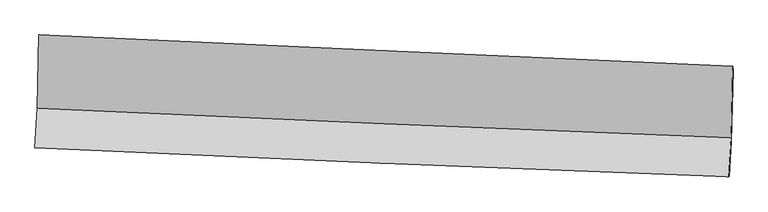
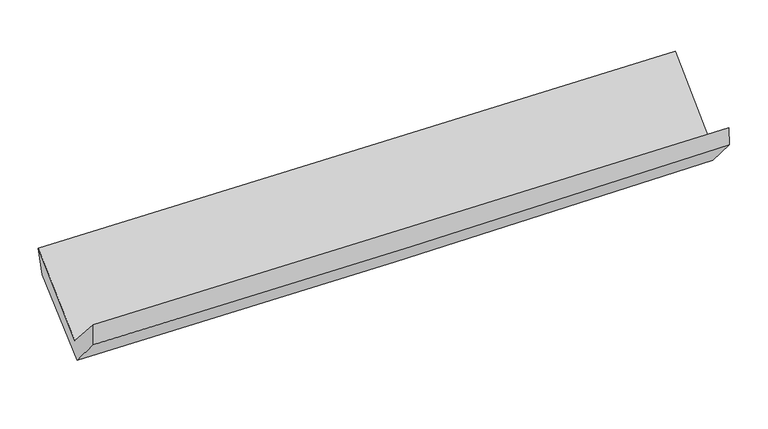
"""IFC4 building model written with IfcOpenShell, lengths in millimetres: proxy geometry."""

from ifc_helpers import new_model, si_unit, frame, origin, place, context, project, spatial, source, transform, mapped, element, save
from ifc_brep_helpers import plane_surface, spline_curve, spline_surface, advanced_brep


def generic_models_284aa55c(model_context):
    return source(origin(), model_context, "Body", "AdvancedBrep", [
        advanced_brep(
        [(-2403.0250926, -1104.1927273, 2210.2663686), (-2414.2250077, -1612.1136538, 1767.5777678), (2399.657575, -1818.4730112, 1823.6802184), (2411.4538098, -1321.2030077, 2273.5124098), (-2429.7511729, -1887.2953978, 2068.3130688), (2384.4069056, -2087.7308526, 2120.0840699), (-2426.7379698, -1884.2355197, 1902.6203886), (2386.7926155, -2086.178809, 1978.3879825), (-2412.8588374, -1642.596047, 1624.5124515), (2400.6777062, -1844.5395623, 1700.2801464), (-2401.4654376, -1150.9647485, 2021.4158143), (2413.1234125, -1352.9481833, 2097.2013516)],
        [
            (0, 1),
            (1, 2, spline_curve(3, [(-2414.2250077, -1612.1136538, 1767.5777678), (-1611.708503729, -1649.799664912, 1778.83065292), (-809.102776166, -1685.846674009, 1789.134069621), (795.524920994, -1754.630015135, 1807.833084446), (1597.546720619, -1787.369458655, 1816.230484466), (2399.657575, -1818.4730112, 1823.6802184)], [4, 2, 4], [0.0, 7.9092744226003235, 15.811038517008466])),
            (2, 3),
            (3, 0, spline_curve(3, [(2411.4538098, -1321.2030077, 2273.5124098), (1609.465753311, -1284.790687345, 2262.498682363), (807.455735372, -1248.508865333, 2251.72370523), (-797.370523662, -1176.171856799, 2230.641237485), (-1600.186806653, -1140.116918797, 2220.334200806), (-2403.0250926, -1104.1927273, 2210.2663686)], [4, 2, 4], [0.0, 7.901764094408143, 15.811038517008466])),
            (1, 4),
            (4, 5, spline_curve(3, [(-2429.7511729, -1887.2953978, 2068.3130688), (-1627.289676985, -1925.96979399, 2080.288736412), (-824.688460264, -1962.016632982, 2090.592075683), (780.031164626, -2028.823463814, 2107.845901457), (1582.149307177, -2059.588442743, 2114.799562806), (2384.4069056, -2087.7308526, 2120.0840699)], [4, 2, 4], [0.0, 7.908355716440906, 15.80920197705597])),
            (5, 2),
            (4, 6),
            (6, 7, spline_curve(3, [(-2426.7379698, -1884.2355197, 1902.6203886), (-1624.23748298, -1922.65577605, 1910.589791098), (-821.669120783, -1958.701378013, 1920.892565254), (782.841203164, -2026.011300412, 1946.15285937), (1584.783036055, -2057.280128011, 1961.105949468), (2386.7926155, -2086.178809, 1978.3879825)], [4, 2, 4], [0.0, 7.908112778318325, 15.808716331495058])),
            (7, 5),
            (6, 8),
            (8, 9, spline_curve(3, [(-2412.8588374, -1642.596047, 1624.5124515), (-1610.357108461, -1681.016349837, 1632.481875584), (-807.787628558, -1717.061994011, 1642.784669025), (796.724680995, -1784.371991379, 1668.044996584), (1598.667382504, -1815.640852636, 1682.998101429), (2400.6777062, -1844.5395623, 1700.2801464)], [4, 2, 4], [0.0, 7.907974116470472, 15.808439139467053])),
            (9, 7),
            (8, 10),
            (10, 11, spline_curve(3, [(-2401.4654376, -1150.9647485, 2021.4158143), (-1598.744355301, -1189.393262951, 2029.389051096), (-795.977475177, -1225.446340629, 2039.695238236), (808.885561817, -1292.769643041, 2064.961512548), (1610.981631696, -1324.044377181, 2079.917170963), (2413.1234125, -1352.9481833, 2097.2013516)], [4, 2, 4], [0.0, 7.908843257467033, 15.810176596158916])),
            (11, 9),
            (10, 0),
            (3, 11),
        ],
        [
            spline_surface(3, 3, [[(-2403.0250926, -1104.1927273, 2210.2663686), (-1600.186806629, -1140.116918904, 2220.334200855), (-797.37052367, -1176.171856915, 2230.641237446), (807.45573538, -1248.508865217, 2251.723705269), (1609.465753188, -1284.790687372, 2262.498682356), (2411.4538098, -1321.2030077, 2273.5124098)], [(-2406.758397634, -1273.499702777, 2062.703501686), (-1604.027372369, -1310.011167562, 2073.166351581), (-801.281274464, -1346.063462578, 2083.472181541), (803.478797219, -1417.215915204, 2103.760164947), (1605.492742337, -1452.316944469, 2113.742616369), (2407.521731533, -1486.959675519, 2123.568345996)], [(-2410.491702666, -1442.806678323, 1915.140634714), (-1607.867938107, -1479.90541629, 1925.99850225), (-805.192025267, -1515.955068271, 1936.303125652), (799.50185905, -1585.922965223, 1955.796624642), (1601.519731486, -1619.843201609, 1964.986550394), (2403.589653267, -1652.716343381, 1973.624282204)], [(-2414.2250077, -1612.1136538, 1767.5777678), (-1611.708503847, -1649.799664948, 1778.830652975), (-809.102776061, -1685.846673934, 1789.134069747), (795.524920889, -1754.63001521, 1807.83308432), (1597.546720636, -1787.369458705, 1816.230484407), (2399.657575, -1818.4730112, 1823.6802184)]], [4, 4], [4, 2, 4], [0.0, 2.2108171991927486], [0.0, 7.9092744226003235, 15.811038517008466]),
            spline_surface(3, 3, [[(-2414.2250077, -1612.1136538, 1767.5777678), (-1611.708503847, -1649.799664948, 1778.830652975), (-809.102776061, -1685.846673934, 1789.134069747), (795.524920889, -1754.63001521, 1807.83308432), (1597.546720636, -1787.369458705, 1816.230484407), (2399.657575, -1818.4730112, 1823.6802184)], [(-2419.400396077, -1703.840901813, 1867.822868134), (-1616.902228192, -1741.856374632, 1879.316680793), (-814.298004104, -1777.903326992, 1889.620071713), (790.360335434, -1846.027831375, 1907.837356736), (1592.414249516, -1878.1091201, 1915.753510505), (2394.574018533, -1908.225625025, 1922.481502228)], [(-2424.575784523, -1795.568149787, 1968.067968466), (-1622.095952605, -1833.913084277, 1979.802708609), (-819.493232133, -1869.959980042, 1990.106073643), (785.195749993, -1937.425647531, 2007.841629116), (1587.281778397, -1968.84878142, 2015.276536619), (2389.490462067, -1997.978238775, 2021.282786072)], [(-2429.7511729, -1887.2953978, 2068.3130688), (-1627.28967695, -1925.969793961, 2080.288736426), (-824.688460176, -1962.0166331, 2090.592075609), (780.031164538, -2028.823463696, 2107.845901531), (1582.149307277, -2059.588442815, 2114.799562718), (2384.4069056, -2087.7308526, 2120.0840699)]], [4, 4], [4, 2, 4], [0.0, 1.3383622119139862], [0.0, 7.908355716440906, 15.80920197705597]),
            spline_surface(3, 3, [[(-2429.7511729, -1887.2953978, 2068.3130688), (-1627.28967695, -1925.969793961, 2080.288736426), (-824.688460176, -1962.0166331, 2090.592075609), (780.031164538, -2028.823463696, 2107.845901531), (1582.149307277, -2059.588442815, 2114.799562718), (2384.4069056, -2087.7308526, 2120.0840699)], [(-2428.746771867, -1886.27543844, 2013.082175394), (-1626.272278955, -1924.865121365, 2023.722421281), (-823.682013716, -1960.911548097, 2034.025572183), (780.967844074, -2027.886075876, 2053.948220758), (1583.027216883, -2058.819004564, 2063.568358314), (2385.202142239, -2087.213504726, 2072.852040761)], [(-2427.742370833, -1885.25547906, 1957.851282006), (-1625.254880959, -1923.76044875, 1967.156106154), (-822.67556724, -1959.806463143, 1977.459068798), (781.904523625, -2026.948688106, 2000.050540026), (1583.905126473, -2058.049566336, 2012.337153928), (2385.997378861, -2086.696156874, 2025.620011639)], [(-2426.7379698, -1884.2355197, 1902.6203886), (-1624.237482964, -1922.655776154, 1910.589791008), (-821.66912078, -1958.70137814, 1920.892565372), (782.841203161, -2026.011300286, 1946.152859253), (1584.783036079, -2057.280128085, 1961.105949524), (2386.7926155, -2086.178809, 1978.3879825)]], [4, 4], [4, 2, 4], [0.0, 0.5438124415835822], [0.0, 7.908112778318325, 15.808716331495058]),
            spline_surface(3, 3, [[(-2426.7379698, -1884.2355197, 1902.6203886), (-1624.237482964, -1922.655776154, 1910.589791008), (-821.66912078, -1958.70137814, 1920.892565372), (782.841203161, -2026.011300286, 1946.152859253), (1584.783036079, -2057.280128085, 1961.105949524), (2386.7926155, -2086.178809, 1978.3879825)], [(-2422.111592326, -1803.689028787, 1809.917742886), (-1619.610691488, -1842.109300739, 1817.88715249), (-817.041956737, -1878.154916755, 1828.189933259), (787.469029158, -1945.464864012, 1853.450238363), (1589.411151539, -1976.733702896, 1868.403333455), (2391.420979069, -2005.63239343, 1885.685370461)], [(-2417.485214874, -1723.142537913, 1717.215097214), (-1614.983900035, -1761.562825364, 1725.184514015), (-812.414792725, -1797.60845534, 1735.487301142), (792.096855122, -1864.918427709, 1760.747617469), (1594.039266992, -1896.187277718, 1775.700717402), (2396.049342631, -1925.08597787, 1792.982758439)], [(-2412.8588374, -1642.596047, 1624.5124515), (-1610.357108559, -1681.016349949, 1632.481875497), (-807.787628682, -1717.061993955, 1642.784669029), (796.724681119, -1784.371991435, 1668.04499658), (1598.667382453, -1815.640852528, 1682.998101332), (2400.6777062, -1844.5395623, 1700.2801464)]], [4, 4], [4, 2, 4], [0.0, 1.2095860476749407], [0.0, 7.907974116470472, 15.808439139467053]),
            spline_surface(3, 3, [[(-2412.8588374, -1642.596047, 1624.5124515), (-1610.357108559, -1681.016349949, 1632.481875497), (-807.787628682, -1717.061993955, 1642.784669029), (796.724681119, -1784.371991435, 1668.04499658), (1598.667382453, -1815.640852528, 1682.998101332), (2400.6777062, -1844.5395623, 1700.2801464)], [(-2409.061037491, -1478.718947497, 1756.813572435), (-1606.486190793, -1517.141987624, 1764.784267335), (-803.85091084, -1553.190109498, 1775.088192111), (800.778308019, -1620.504541988, 1800.350501885), (1602.772132226, -1651.775360715, 1815.304457882), (2404.826274956, -1680.675769303, 1832.587214799)], [(-2405.263237509, -1314.841848003, 1889.114693365), (-1602.615272954, -1353.267625308, 1897.08665917), (-799.914193009, -1389.318225036, 1907.3917152), (804.831934908, -1456.637092537, 1932.656007197), (1606.876882031, -1487.909868893, 1947.610814436), (2408.974843744, -1516.811976297, 1964.894283201)], [(-2401.4654376, -1150.9647485, 2021.4158143), (-1598.744355189, -1189.393262983, 2029.389051009), (-795.977475168, -1225.44634058, 2039.695238282), (808.885561808, -1292.76964309, 2064.961512502), (1610.981631804, -1324.04437708, 2079.917170985), (2413.1234125, -1352.9481833, 2097.2013516)]], [4, 4], [4, 2, 4], [0.0, 2.073333572926189], [0.0, 7.908843257467033, 15.810176596158916]),
            spline_surface(3, 3, [[(-2401.4654376, -1150.9647485, 2021.4158143), (-1598.744355189, -1189.393262983, 2029.389051009), (-795.977475168, -1225.44634058, 2039.695238282), (808.885561808, -1292.76964309, 2064.961512502), (1610.981631804, -1324.04437708, 2079.917170985), (2413.1234125, -1352.9481833, 2097.2013516)], [(-2401.985322605, -1135.374074787, 2084.365999066), (-1599.225172341, -1172.967814977, 2093.037434291), (-796.441824676, -1209.021512704, 2103.343904678), (808.408952991, -1278.016050478, 2127.215576765), (1610.476338935, -1310.959813841, 2140.777674798), (2412.56687827, -1342.366458097, 2155.971704356)], [(-2402.505207595, -1119.783401013, 2147.316183834), (-1599.705989477, -1156.54236691, 2156.685817573), (-796.906174162, -1192.596684791, 2166.99257105), (807.932344197, -1263.262457829, 2189.469641005), (1609.971046057, -1297.875250611, 2201.638178544), (2412.01034403, -1331.784732903, 2214.742057044)], [(-2403.0250926, -1104.1927273, 2210.2663686), (-1600.186806629, -1140.116918904, 2220.334200855), (-797.37052367, -1176.171856915, 2230.641237446), (807.45573538, -1248.508865217, 2251.723705269), (1609.465753188, -1284.790687372, 2262.498682356), (2411.4538098, -1321.2030077, 2273.5124098)]], [4, 4], [4, 2, 4], [0.0, 0.6383408840865322], [0.0, 7.909929749319431, 15.812348548174844]),
            plane_surface(frame((2399.3520041, -1751.845571, 1998.8576964), z_axis=(0.9991226008956496, -0.038536613907020956, 0.016399931953941394), x_axis=(0.019694066683395378, 0.7778934510260593, 0.6280875118868692))),
            plane_surface(frame((-2414.677253, -1546.8996824, 1932.4509766), z_axis=(-0.9991523644356064, 0.037268459798679536, -0.01748183477130825), x_axis=(0.008016213841343928, -0.2403958050607484, -0.9706418480700513))),
        ],
        [
            (0, [[1, 2, 3, 4]]),
            (1, [[5, 6, 7, -2]]),
            (2, [[8, 9, 10, -6]]),
            (3, [[11, 12, 13, -9]]),
            (4, [[14, 15, 16, -12]]),
            (5, [[17, -4, 18, -15]]),
            (6, [[-16, -18, -3, -7, -10, -13]]),
            (7, [[-17, -14, -11, -8, -5, -1]]),
        ],
    ),
    ])


if __name__ == "__main__":
    model = new_model("IFC4")
    model_context = context("Model", 3, world=origin())
    ifc_project = project(units=[si_unit("LENGTHUNIT", "METRE", prefix="MILLI")], contexts=[model_context])
    site = spatial("IfcSite", under=ifc_project)
    building = spatial("IfcBuilding", under=site)
    placement = place(None, origin())
    generic_models_shape = generic_models_284aa55c(model_context)
    element("IfcBuildingElementProxy", 1, Name="Generic Models", at=placement, inside=building, context=model_context, shape_type="MappedRepresentation", body=[
        mapped(generic_models_shape, transform((0.0, 0.0, 0.0), x_axis=(1.0, 0.0, 0.0), y_axis=(0.0, 1.0, 0.0), z_axis=(0.0, 0.0, 1.0))),
    ])
    save(model, "model.ifc")
